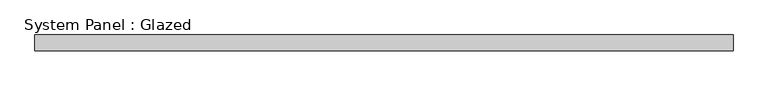
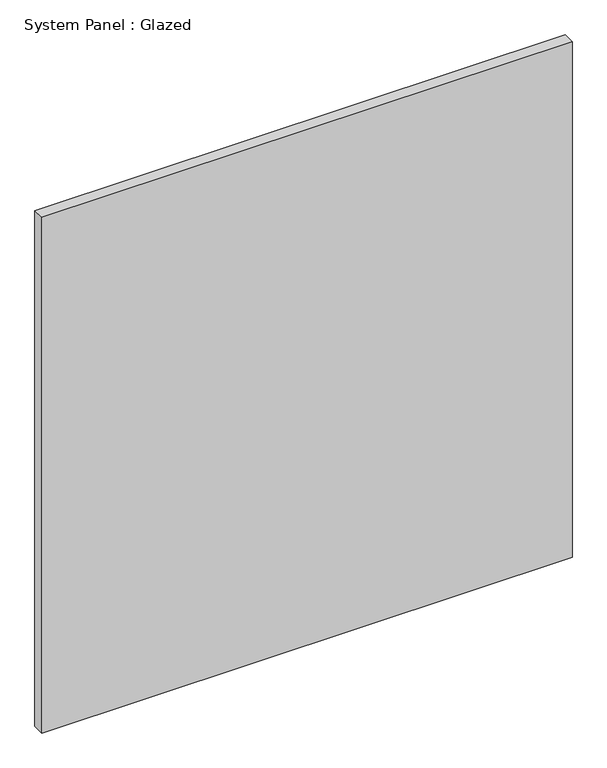
"""IFC4 building model written with IfcOpenShell, lengths in millimetres: plate geometry, System Panel : Glazed."""

from ifc_helpers import new_model, si_unit, origin, origin_with_axes, place, context, project, spatial, polyline, outline, extrude, source, transform, mapped, element, save


def system_panel_glazed_c82a7d47(model_context):
    return source(origin(), model_context, "Body", "SweptSolid", [
        extrude(outline(polyline([(561.975, 19.05), (-561.975, 19.05), (-561.975, 44.45), (561.975, 44.45), (561.975, 19.05)])), origin_with_axes(), (0.0, 0.0, 1.0), 1155.7),
    ])


if __name__ == "__main__":
    model = new_model("IFC4")
    model_context = context("Model", 3, world=origin())
    ifc_project = project(units=[si_unit("LENGTHUNIT", "METRE", prefix="MILLI")], contexts=[model_context])
    site = spatial("IfcSite", under=ifc_project)
    building = spatial("IfcBuilding", under=site)
    placement = place(None, origin())
    system_panel_glazed_shape = system_panel_glazed_c82a7d47(model_context)
    element("IfcPlate", 1, ObjectType="System Panel : Glazed", at=placement, inside=building, context=model_context, shape_type="MappedRepresentation", body=[
        mapped(system_panel_glazed_shape, transform((0.0, 0.0, 0.0), x_axis=(1.0, 0.0, 0.0), y_axis=(0.0, 1.0, 0.0), z_axis=(0.0, 0.0, 1.0))),
    ])
    save(model, "model.ifc")
